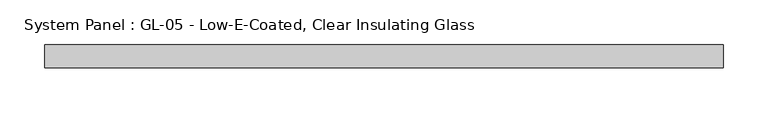
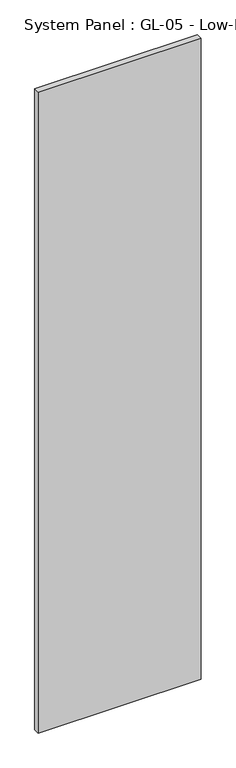
"""IFC4 building model written with IfcOpenShell, lengths in millimetres: plate geometry, System Panel : GL-05 - Low-E-Coated, Clear Insulating Glass."""

from ifc_helpers import new_model, si_unit, origin, origin_with_axes, place, context, project, spatial, polyline, outline, extrude, source, transform, mapped, element, save


def system_panel_gl_05_low_e_coated_clear_insulating_glass_42136406(model_context):
    return source(origin(), model_context, "Body", "SweptSolid", [
        extrude(outline(polyline([(378.1838767, -12.7), (-378.1838767, -12.7), (-378.1838767, 12.7), (378.1838767, 12.7), (378.1838767, -12.7)])), origin_with_axes(), (0.0, 0.0, 1.0), 3143.25),
    ])


if __name__ == "__main__":
    model = new_model("IFC4")
    model_context = context("Model", 3, world=origin())
    ifc_project = project(units=[si_unit("LENGTHUNIT", "METRE", prefix="MILLI")], contexts=[model_context])
    site = spatial("IfcSite", under=ifc_project)
    building = spatial("IfcBuilding", under=site)
    placement = place(None, origin())
    system_panel_gl_05_low_e_coated_clear_insulating_glass_shape = system_panel_gl_05_low_e_coated_clear_insulating_glass_42136406(model_context)
    element("IfcPlate", 1, ObjectType="System Panel : GL-05 - Low-E-Coated, Clear Insulating Glass", at=placement, inside=building, context=model_context, shape_type="MappedRepresentation", body=[
        mapped(system_panel_gl_05_low_e_coated_clear_insulating_glass_shape, transform((0.0, 0.0, 0.0), x_axis=(1.0, 0.0, 0.0), y_axis=(0.0, 1.0, 0.0), z_axis=(0.0, 0.0, 1.0))),
    ])
    save(model, "model.ifc")
